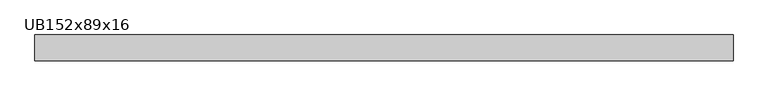
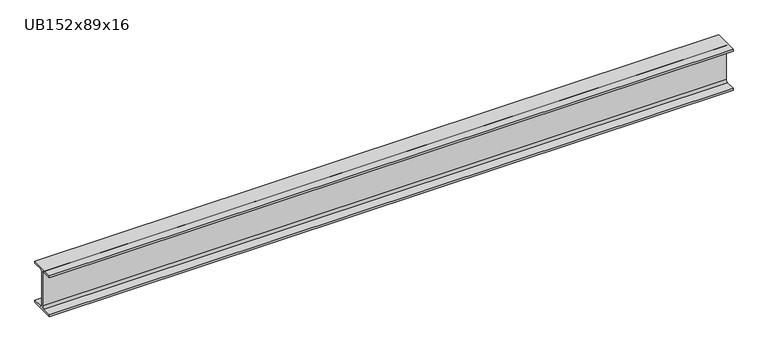
"""IFC4 building model written with IfcOpenShell, lengths in millimetres: beam geometry, UB152x89x16."""

from ifc_helpers import new_model, si_unit, point, frame, frame_2d, origin, place, context, project, spatial, polyline, circle_curve, trimmed, segment, composite_curve, outline, extrude, source, transform, mapped, element, save


def ub152x89x16_b944f715(model_context):
    return source(origin(), model_context, "Body", "SweptSolid", [
        extrude(outline(composite_curve([segment(polyline([(44.35, -68.5), (44.35, -76.2), (-44.35, -76.2), (-44.35, -68.5), (-9.85, -68.5)]), True, "CONTINUOUS"), segment(trimmed(circle_curve(frame_2d((-9.85, -60.9)), 7.6), [point((-9.85, -68.5))], [point((-2.25, -60.9))], True, "CARTESIAN"), True, "CONTINUOUS"), segment(polyline([(-2.25, -60.9), (-2.25, 60.9)]), True, "CONTINUOUS"), segment(trimmed(circle_curve(frame_2d((-9.85, 60.9)), 7.6), [point((-2.25, 60.9))], [point((-9.85, 68.5))], True, "CARTESIAN"), True, "CONTINUOUS"), segment(polyline([(-9.85, 68.5), (-44.35, 68.5), (-44.35, 76.2), (44.35, 76.2), (44.35, 68.5), (9.85, 68.5)]), True, "CONTINUOUS"), segment(trimmed(circle_curve(frame_2d((9.85, 60.9)), 7.6), [point((9.85, 68.5))], [point((2.25, 60.9))], True, "CARTESIAN"), True, "CONTINUOUS"), segment(polyline([(2.25, 60.9), (2.25, -60.9)]), True, "CONTINUOUS"), segment(trimmed(circle_curve(frame_2d((9.85, -60.9)), 7.6), [point((2.25, -60.9))], [point((9.85, -68.5))], True, "CARTESIAN"), True, "CONTINUOUS"), segment(polyline([(9.85, -68.5), (44.35, -68.5)]), True, "CONTINUOUS")], self_intersect=False)), frame((-1199.95, 0.0, 0.0), z_axis=(1.0, 0.0, 0.0), x_axis=(0.0, 1.0, 0.0)), (0.0, 0.0, 1.0), 2399.9),
    ])


if __name__ == "__main__":
    model = new_model("IFC4")
    model_context = context("Model", 3, world=origin())
    ifc_project = project(units=[si_unit("LENGTHUNIT", "METRE", prefix="MILLI")], contexts=[model_context])
    site = spatial("IfcSite", under=ifc_project)
    building = spatial("IfcBuilding", under=site)
    placement = place(None, origin())
    ub152x89x16_shape = ub152x89x16_b944f715(model_context)
    element("IfcBeam", 1, ObjectType="UB152x89x16", at=placement, inside=building, context=model_context, shape_type="MappedRepresentation", body=[
        mapped(ub152x89x16_shape, transform((0.0, 0.0, 0.0), x_axis=(1.0, 0.0, 0.0), y_axis=(0.0, 1.0, 0.0), z_axis=(0.0, 0.0, 1.0))),
    ])
    save(model, "model.ifc")
